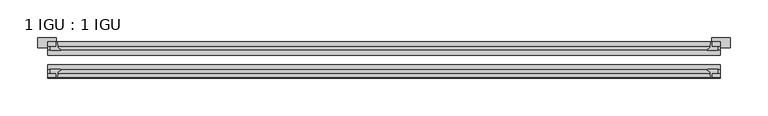
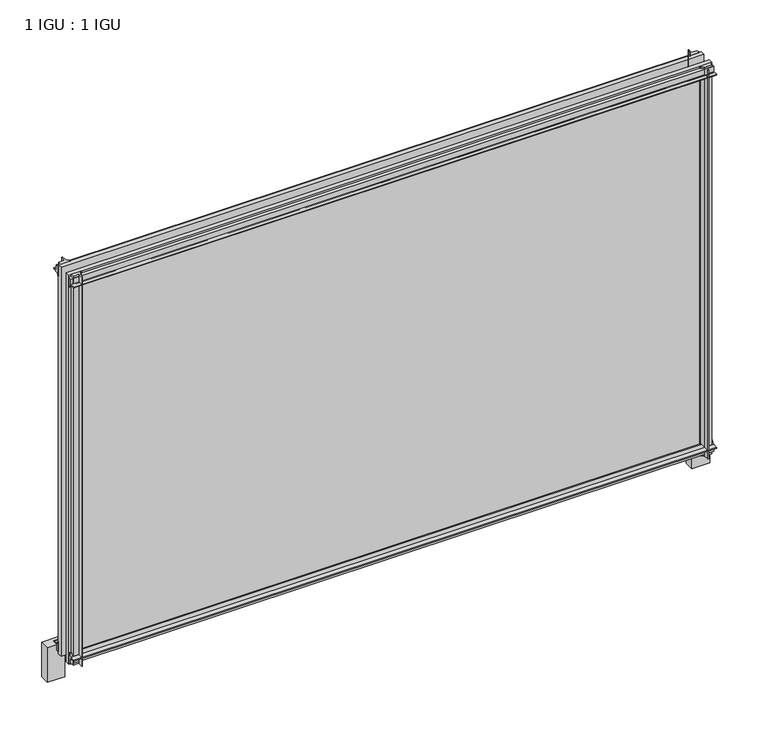
"""IFC4 building model written with IfcOpenShell, lengths in millimetres: plate geometry, 1 IGU : 1 IGU."""

import ifcopenshell
import ifcopenshell.guid

model = None  # the IFC model being written
_history = None  # IfcOwnerHistory: only IFC2X3 demands one
_inside = {}  # id of a spatial element -> (the spatial element, [elements in it])
_under = {}  # id of a project, library or spatial element -> (it, [spatial elements below it])
_declared = {}  # id of a project -> (the project, [libraries it declares])
_typed = {}  # id of a type object -> (the type object, [elements of that type])
_made_of = {}  # id of a material, layer set ... -> (it, [elements and type objects made of it])


def new_model(schema):
    """Start an empty IFC model of exactly this schema.

    Asked for "IFC4X3", IfcOpenShell would pick the latest addendum, in which some entities
    have other attributes; the version numbers below select the first issue.
    IFC2X3 requires an IfcOwnerHistory on every rooted entity: one is made here for all.
    """
    global model, _history
    if schema == "IFC4X3":
        model = ifcopenshell.file(schema_version=(4, 3, 0, 0))
    else:
        model = ifcopenshell.file(schema=schema)
    _inside.clear()
    _under.clear()
    _declared.clear()
    _typed.clear()
    _made_of.clear()
    _history = None
    if model.schema == "IFC2X3":
        org = make("IfcOrganization", Name="unknown")
        user = make(
            "IfcPersonAndOrganization",
            ThePerson=make("IfcPerson", FamilyName="unknown"),
            TheOrganization=org,
        )
        app = make(
            "IfcApplication",
            ApplicationDeveloper=org,
            Version="unknown",
            ApplicationFullName="unknown",
            ApplicationIdentifier="unknown",
        )
        _history = make(
            "IfcOwnerHistory",
            OwningUser=user,
            OwningApplication=app,
            ChangeAction="ADDED",
            CreationDate=0,
        )
    return model


def make(cls, **values):
    """One entity of the class cls with the attributes given. An attribute that is None is left unset."""
    return model.create_entity(
        cls, **{name: value for name, value in values.items() if value is not None}
    )


def rooted(cls, **values):
    """An entity with a GlobalId (a new one), such as an element, a storey or a relation."""
    return make(cls, GlobalId=ifcopenshell.guid.new(), OwnerHistory=_history, **values)


def si_unit(unit_type, name, prefix=None):
    """IfcSIUnit, for example si_unit("LENGTHUNIT", "METRE", prefix="MILLI")."""
    return make("IfcSIUnit", UnitType=unit_type, Prefix=prefix, Name=name)


def assignment(units):
    """IfcUnitAssignment: the units of a project."""
    return None if units is None else make("IfcUnitAssignment", Units=units)


def point(xyz):
    """IfcCartesianPoint."""
    return None if xyz is None else make("IfcCartesianPoint", Coordinates=xyz)


def direction(xyz):
    """IfcDirection."""
    return None if xyz is None else make("IfcDirection", DirectionRatios=xyz)


def frame(location, z_axis=None, x_axis=None):
    """IfcAxis2Placement3D, a coordinate frame: its origin and axes. An axis left out is left unset."""
    return make(
        "IfcAxis2Placement3D",
        Location=point(location),
        Axis=direction(z_axis),
        RefDirection=direction(x_axis),
    )


def frame_2d(location, x_axis=None):
    """IfcAxis2Placement2D, a coordinate frame in the plane: its origin and x axis."""
    return make(
        "IfcAxis2Placement2D", Location=point(location), RefDirection=direction(x_axis)
    )


def origin():
    """The frame at (0, 0, 0) with its axes left unset."""
    return frame((0.0, 0.0, 0.0))


def place(relative_to, where):
    """IfcLocalPlacement: puts the frame where relative to a parent placement (None: the world)."""
    return make(
        "IfcLocalPlacement", PlacementRelTo=relative_to, RelativePlacement=where
    )


def context(
    kind, dimensions, precision=None, world=None, true_north=None, identifier=None
):
    """IfcGeometricRepresentationContext, for example the 3D "Model" context."""
    return make(
        "IfcGeometricRepresentationContext",
        ContextIdentifier=identifier,
        ContextType=kind,
        CoordinateSpaceDimension=dimensions,
        Precision=precision,
        WorldCoordinateSystem=world,
        TrueNorth=true_north,
    )


def project(units=None, contexts=None):
    """IfcProject with its units and contexts."""
    return rooted(
        "IfcProject",
        Name="project",
        RepresentationContexts=contexts,
        UnitsInContext=assignment(units),
    )


def spatial(cls, under=None, at=None, **own):
    """A site, building, storey or space (cls), placed at a placement, below another one or the project."""
    s = rooted(cls, ObjectPlacement=at, **own)
    if under is not None:
        _under.setdefault(under.id(), (under, []))[1].append(s)
    return s


def polyline(points):
    """IfcPolyline through the points."""
    return make("IfcPolyline", Points=[point(p) for p in points])


def circle_curve(where, radius):
    """IfcCircle in the frame where."""
    return make("IfcCircle", Position=where, Radius=radius)


def trimmed(basis, trim1, trim2, sense, master):
    """IfcTrimmedCurve: the piece of a basis curve between two trims."""
    return make(
        "IfcTrimmedCurve",
        BasisCurve=basis,
        Trim1=trim1,
        Trim2=trim2,
        SenseAgreement=sense,
        MasterRepresentation=master,
    )


def segment(curve, same_sense, transition):
    """IfcCompositeCurveSegment."""
    return make(
        "IfcCompositeCurveSegment",
        Transition=transition,
        SameSense=same_sense,
        ParentCurve=curve,
    )


def composite_curve(segments, self_intersect=None):
    """IfcCompositeCurve: segments joined end to end."""
    return make("IfcCompositeCurve", Segments=segments, SelfIntersect=self_intersect)


def outline(outer, holes=None, kind="AREA"):
    """IfcArbitraryClosedProfileDef: a profile drawn as a closed curve; with holes, ...WithVoids."""
    if holes is None:
        return make("IfcArbitraryClosedProfileDef", ProfileType=kind, OuterCurve=outer)
    return make(
        "IfcArbitraryProfileDefWithVoids",
        ProfileType=kind,
        OuterCurve=outer,
        InnerCurves=holes,
    )


def extrude(swept, where, along, depth):
    """IfcExtrudedAreaSolid: the profile swept, set in the frame where, extruded along a direction by depth."""
    return make(
        "IfcExtrudedAreaSolid",
        SweptArea=swept,
        Position=where,
        ExtrudedDirection=direction(along),
        Depth=depth,
    )


def shape(context_of_items, identifier, shape_type, items):
    """IfcShapeRepresentation: the items that make up one representation, for example the "Body"."""
    return make(
        "IfcShapeRepresentation",
        ContextOfItems=context_of_items,
        RepresentationIdentifier=identifier,
        RepresentationType=shape_type,
        Items=items,
    )


def source(mapping_origin, context_of_items, identifier, shape_type, items):
    """IfcRepresentationMap: a shape defined once, which mapped items show again and again."""
    return make(
        "IfcRepresentationMap",
        MappingOrigin=mapping_origin,
        MappedRepresentation=shape(context_of_items, identifier, shape_type, items),
    )


def transform(
    local_origin,
    x_axis=None,
    y_axis=None,
    z_axis=None,
    scale=None,
    scale2=None,
    scale3=None,
    uniform=True,
):
    """IfcCartesianTransformationOperator3D, or its non-uniform kind. x_axis, y_axis, z_axis: its Axis1, 2, 3."""
    if uniform:
        return make(
            "IfcCartesianTransformationOperator3D",
            Axis1=direction(x_axis),
            Axis2=direction(y_axis),
            LocalOrigin=point(local_origin),
            Scale=scale,
            Axis3=direction(z_axis),
        )
    return make(
        "IfcCartesianTransformationOperator3DnonUniform",
        Axis1=direction(x_axis),
        Axis2=direction(y_axis),
        LocalOrigin=point(local_origin),
        Scale=scale,
        Axis3=direction(z_axis),
        Scale2=scale2,
        Scale3=scale3,
    )


def mapped(mapping_source, mapping_target):
    """IfcMappedItem: shows the shape of a source again, moved by a transform."""
    return make(
        "IfcMappedItem", MappingSource=mapping_source, MappingTarget=mapping_target
    )


def made_of(thing, what):
    """Note that an element or type object is made of a material, layer set ...; save() writes the relation."""
    if what is not None:
        _made_of.setdefault(what.id(), (what, []))[1].append(thing)
    return thing


def element(
    cls,
    number,
    at=None,
    inside=None,
    cuts=None,
    type_object=None,
    material=None,
    context=None,
    identifier="Body",
    shape_type=None,
    held_by="IfcProductDefinitionShape",
    body=None,
    shapes=None,
    **own,
):
    """One element of the class cls, such as IfcWall. Its Tag is "e" and its number.

    at: its placement. inside: the storey or other place that contains it. cuts: it is an
    opening in that element (IfcRelVoidsElement). A single representation is given by context,
    identifier, shape_type and body (its items); several are given by shapes. held_by: the class
    of the entity that holds the representations. save() writes the other relations.
    """
    e = rooted(cls, Tag="e%d" % number, ObjectPlacement=at, **own)
    if body is not None:
        shapes = [shape(context, identifier, shape_type, body)]
    if shapes is not None:
        e.Representation = make(held_by, Representations=shapes)
    if inside is not None:
        _inside.setdefault(inside.id(), (inside, []))[1].append(e)
    if cuts is not None:
        rooted(
            "IfcRelVoidsElement", RelatingBuildingElement=cuts, RelatedOpeningElement=e
        )
    if type_object is not None:
        _typed.setdefault(type_object.id(), (type_object, []))[1].append(e)
    return made_of(e, material)


def aggregate(whole, parts):
    """IfcRelAggregates: a whole, such as a stair, and the parts it consists of."""
    return rooted("IfcRelAggregates", RelatingObject=whole, RelatedObjects=parts)


def save(model, path):
    """Write the relations noted so far, then the file.

    IfcRelAggregates (storeys below a building ...), IfcRelContainedInSpatialStructure (elements
    in a storey), IfcRelDefinesByType, IfcRelAssociatesMaterial and IfcRelDeclares: one each for
    every whole, place, type object, material and project.
    """
    for whole, parts in _under.values():
        aggregate(whole, parts)
    for where, things in _inside.values():
        rooted(
            "IfcRelContainedInSpatialStructure",
            RelatedElements=things,
            RelatingStructure=where,
        )
    for kind, things in _typed.values():
        rooted("IfcRelDefinesByType", RelatedObjects=things, RelatingType=kind)
    for what, things in _made_of.values():
        rooted("IfcRelAssociatesMaterial", RelatedObjects=things, RelatingMaterial=what)
    for by, libraries in _declared.values():
        rooted("IfcRelDeclares", RelatingContext=by, RelatedDefinitions=libraries)
    model.write(path)


def plate_1_igu_1_igu_bbd7117f(model_context):
    return source(origin(), model_context, "Body", "SweptSolid", [
        extrude(outline(composite_curve([segment(polyline([(-42.3267187, -8.2068385), (-47.0892187, -8.2068385), (-47.0892187, 0.0), (-53.563779, 0.0)]), True, "CONTINUOUS"), segment(trimmed(circle_curve(frame_2d((-53.0328134, 0.3482823)), 0.635), [point((-53.563779, 0.0))], [point((-53.0575397, 0.9828007))], False, "CARTESIAN"), True, "CONTINUOUS"), segment(trimmed(circle_curve(frame_2d((-54.2310045, 31.0958559)), 30.1359106), [point((-53.0575397, 0.9828007))], [point((-47.0834032, 1.8198434))], True, "CARTESIAN"), True, "CONTINUOUS"), segment(trimmed(circle_curve(frame_2d((-48.2159797, 6.4587878)), 4.7752), [point((-47.0834032, 1.8198434))], [point((-43.578416, 5.3205707))], True, "CARTESIAN"), True, "CONTINUOUS"), segment(trimmed(circle_curve(frame_2d((-42.9617187, 5.169212)), 0.635), [point((-43.578416, 5.3205707))], [point((-42.3267187, 5.169212))], False, "CARTESIAN"), True, "CONTINUOUS"), segment(polyline([(-42.3267187, 5.169212), (-42.3267187, -8.2068385)]), True, "CONTINUOUS")], self_intersect=False)), frame((-446.7225, 0.0, 0.0), z_axis=(1.0, 0.0, 0.0), x_axis=(0.0, 1.0, 0.0)), (0.0, 0.0, 1.0), 893.445),
        extrude(outline(composite_curve([segment(polyline([(-16.9267187, -8.2068385), (-16.9267187, 5.169212)]), True, "CONTINUOUS"), segment(trimmed(circle_curve(frame_2d((-16.2917187, 5.169212)), 0.635), [point((-16.9267187, 5.169212))], [point((-15.6750215, 5.3205707))], False, "CARTESIAN"), True, "CONTINUOUS"), segment(trimmed(circle_curve(frame_2d((-11.0374578, 6.4587878)), 4.7752), [point((-15.6750215, 5.3205707))], [point((-12.1700343, 1.8198434))], True, "CARTESIAN"), True, "CONTINUOUS"), segment(trimmed(circle_curve(frame_2d((-5.022433, 31.0958559)), 30.1359106), [point((-12.1700343, 1.8198434))], [point((-6.1958978, 0.9828007))], True, "CARTESIAN"), True, "CONTINUOUS"), segment(trimmed(circle_curve(frame_2d((-6.2206241, 0.3482823)), 0.635), [point((-6.1958978, 0.9828007))], [point((-5.6896585, 0.0))], False, "CARTESIAN"), True, "CONTINUOUS"), segment(polyline([(-5.6896585, 0.0), (-12.1642187, 0.0), (-12.1642187, -8.2068385), (-16.9267187, -8.2068385)]), True, "CONTINUOUS")], self_intersect=False)), frame((-446.7225, 0.0, 0.0), z_axis=(1.0, 0.0, 0.0), x_axis=(0.0, 1.0, 0.0)), (0.0, 0.0, 1.0), 893.445),
        extrude(outline(composite_curve([segment(polyline([(-47.0892187, 549.275), (-47.0892187, 557.4818385), (-42.3267188, 557.4818385), (-42.3267188, 544.105788)]), True, "CONTINUOUS"), segment(trimmed(circle_curve(frame_2d((-42.9617187, 544.105788)), 0.635), [point((-42.3267188, 544.105788))], [point((-43.578416, 543.9544293))], False, "CARTESIAN"), True, "CONTINUOUS"), segment(trimmed(circle_curve(frame_2d((-48.2159797, 542.8162122)), 4.7752), [point((-43.578416, 543.9544293))], [point((-47.0834032, 547.4551566))], True, "CARTESIAN"), True, "CONTINUOUS"), segment(trimmed(circle_curve(frame_2d((-54.2310045, 518.1791441)), 30.1359106), [point((-47.0834032, 547.4551566))], [point((-53.0575397, 548.2921993))], True, "CARTESIAN"), True, "CONTINUOUS"), segment(trimmed(circle_curve(frame_2d((-53.0328134, 548.9267177)), 0.635), [point((-53.0575397, 548.2921993))], [point((-53.563779, 549.275))], False, "CARTESIAN"), True, "CONTINUOUS"), segment(polyline([(-53.563779, 549.275), (-47.0892187, 549.275)]), True, "CONTINUOUS")], self_intersect=False)), frame((-446.7225, 0.0, 0.0), z_axis=(1.0, 0.0, 0.0), x_axis=(0.0, 1.0, 0.0)), (0.0, 0.0, 1.0), 893.445),
        extrude(outline(composite_curve([segment(polyline([(-12.1642187, 549.275), (-5.6896585, 549.275)]), True, "CONTINUOUS"), segment(trimmed(circle_curve(frame_2d((-6.2206241, 548.9267177)), 0.635), [point((-5.6896585, 549.275))], [point((-6.1958978, 548.2921993))], False, "CARTESIAN"), True, "CONTINUOUS"), segment(trimmed(circle_curve(frame_2d((-5.022433, 518.1791441)), 30.1359106), [point((-6.1958978, 548.2921993))], [point((-12.1700343, 547.4551566))], True, "CARTESIAN"), True, "CONTINUOUS"), segment(trimmed(circle_curve(frame_2d((-11.0374578, 542.8162122)), 4.7752), [point((-12.1700343, 547.4551566))], [point((-15.6750215, 543.9544293))], True, "CARTESIAN"), True, "CONTINUOUS"), segment(trimmed(circle_curve(frame_2d((-16.2917187, 544.105788)), 0.635), [point((-15.6750215, 543.9544293))], [point((-16.9267187, 544.105788))], False, "CARTESIAN"), True, "CONTINUOUS"), segment(polyline([(-16.9267187, 544.105788), (-16.9267187, 557.4818385), (-12.1642187, 557.4818385), (-12.1642187, 549.275)]), True, "CONTINUOUS")], self_intersect=False)), frame((-446.7225, 0.0, 0.0), z_axis=(1.0, 0.0, 0.0), x_axis=(0.0, 1.0, 0.0)), (0.0, 0.0, 1.0), 893.445),
        extrude(outline(composite_curve([segment(polyline([(435.61, -5.6896585), (435.61, -12.1642188), (443.8168385, -12.1642188), (443.8168385, -16.9267187), (430.440788, -16.9267187)]), True, "CONTINUOUS"), segment(trimmed(circle_curve(frame_2d((430.440788, -16.2917188)), 0.635), [point((430.440788, -16.9267187))], [point((430.2894293, -15.6750215))], False, "CARTESIAN"), True, "CONTINUOUS"), segment(trimmed(circle_curve(frame_2d((429.1512122, -11.0374578)), 4.7752), [point((430.2894293, -15.6750215))], [point((433.7901566, -12.1700343))], True, "CARTESIAN"), True, "CONTINUOUS"), segment(trimmed(circle_curve(frame_2d((404.5141441, -5.022433)), 30.1359106), [point((433.7901566, -12.1700343))], [point((434.6271993, -6.1958978))], True, "CARTESIAN"), True, "CONTINUOUS"), segment(trimmed(circle_curve(frame_2d((435.2617177, -6.2206241)), 0.635), [point((434.6271993, -6.1958978))], [point((435.61, -5.6896585))], False, "CARTESIAN"), True, "CONTINUOUS")], self_intersect=False)), frame((0.0, 0.0, -11.1125), z_axis=(0.0, 0.0, 1.0), x_axis=(1.0, 0.0, 0.0)), (0.0, 0.0, 1.0), 571.5),
        extrude(outline(composite_curve([segment(trimmed(circle_curve(frame_2d((435.2617177, -53.0328134)), 0.635), [point((435.61, -53.563779))], [point((434.6271993, -53.0575397))], False, "CARTESIAN"), True, "CONTINUOUS"), segment(trimmed(circle_curve(frame_2d((404.5141441, -54.2310045)), 30.1359106), [point((434.6271993, -53.0575397))], [point((433.7901566, -47.0834032))], True, "CARTESIAN"), True, "CONTINUOUS"), segment(trimmed(circle_curve(frame_2d((429.1512122, -48.2159797)), 4.7752), [point((433.7901566, -47.0834032))], [point((430.2894293, -43.578416))], True, "CARTESIAN"), True, "CONTINUOUS"), segment(trimmed(circle_curve(frame_2d((430.440788, -42.9617187)), 0.635), [point((430.2894293, -43.578416))], [point((430.440788, -42.3267187))], False, "CARTESIAN"), True, "CONTINUOUS"), segment(polyline([(430.440788, -42.3267187), (443.8168385, -42.3267188), (443.8168385, -47.0892188), (435.61, -47.0892188), (435.61, -53.563779)]), True, "CONTINUOUS")], self_intersect=False)), frame((0.0, 0.0, -11.1125), z_axis=(0.0, 0.0, 1.0), x_axis=(1.0, 0.0, 0.0)), (0.0, 0.0, 1.0), 571.5),
        extrude(outline(composite_curve([segment(trimmed(circle_curve(frame_2d((-435.2617177, -6.2206241)), 0.635), [point((-435.61, -5.6896585))], [point((-434.6271993, -6.1958978))], False, "CARTESIAN"), True, "CONTINUOUS"), segment(trimmed(circle_curve(frame_2d((-404.5141441, -5.022433)), 30.1359106), [point((-434.6271993, -6.1958978))], [point((-433.7901566, -12.1700343))], True, "CARTESIAN"), True, "CONTINUOUS"), segment(trimmed(circle_curve(frame_2d((-429.1512122, -11.0374578)), 4.7752), [point((-433.7901566, -12.1700343))], [point((-430.2894293, -15.6750215))], True, "CARTESIAN"), True, "CONTINUOUS"), segment(trimmed(circle_curve(frame_2d((-430.440788, -16.2917187)), 0.635), [point((-430.2894293, -15.6750215))], [point((-430.440788, -16.9267187))], False, "CARTESIAN"), True, "CONTINUOUS"), segment(polyline([(-430.440788, -16.9267187), (-443.8168385, -16.9267187), (-443.8168385, -12.1642187), (-435.61, -12.1642187), (-435.61, -5.6896585)]), True, "CONTINUOUS")], self_intersect=False)), frame((0.0, 0.0, -11.1125), z_axis=(0.0, 0.0, 1.0), x_axis=(1.0, 0.0, 0.0)), (0.0, 0.0, 1.0), 571.5),
        extrude(outline(composite_curve([segment(polyline([(-435.61, -53.563779), (-435.61, -47.0892187), (-443.8168385, -47.0892187), (-443.8168385, -42.3267188), (-430.440788, -42.3267188)]), True, "CONTINUOUS"), segment(trimmed(circle_curve(frame_2d((-430.440788, -42.9617187)), 0.635), [point((-430.440788, -42.3267188))], [point((-430.2894293, -43.578416))], False, "CARTESIAN"), True, "CONTINUOUS"), segment(trimmed(circle_curve(frame_2d((-429.1512122, -48.2159797)), 4.7752), [point((-430.2894293, -43.578416))], [point((-433.7901566, -47.0834032))], True, "CARTESIAN"), True, "CONTINUOUS"), segment(trimmed(circle_curve(frame_2d((-404.5141441, -54.2310045)), 30.1359106), [point((-433.7901566, -47.0834032))], [point((-434.6271993, -53.0575397))], True, "CARTESIAN"), True, "CONTINUOUS"), segment(trimmed(circle_curve(frame_2d((-435.2617177, -53.0328134)), 0.635), [point((-434.6271993, -53.0575397))], [point((-435.61, -53.563779))], False, "CARTESIAN"), True, "CONTINUOUS")], self_intersect=False)), frame((0.0, 0.0, -11.1125), z_axis=(0.0, 0.0, 1.0), x_axis=(1.0, 0.0, 0.0)), (0.0, 0.0, 1.0), 571.5),
        extrude(outline(polyline([(446.7225, -16.9267187), (446.7225, -23.2259187), (-446.7225, -23.2259187), (-446.7225, -16.9267187), (446.7225, -16.9267187)])), frame((0.0, 0.0, -11.1125), z_axis=(0.0, 0.0, 1.0), x_axis=(1.0, 0.0, 0.0)), (0.0, 0.0, 1.0), 571.5),
        extrude(outline(polyline([(446.7225, -36.0275187), (446.7225, -42.3267187), (-446.7225, -42.3267187), (-446.7225, -36.0275187), (446.7225, -36.0275187)])), frame((0.0, 0.0, -11.1125), z_axis=(0.0, 0.0, 1.0), x_axis=(1.0, 0.0, 0.0)), (0.0, 0.0, 1.0), 571.5),
        extrude(outline(polyline([(-460.4146875, 0.0), (-435.61, 0.0), (-435.61, -13.1960937), (-460.4146875, -13.1960937), (-460.4146875, 0.0)])), frame((0.0, 0.0, -50.8), z_axis=(0.0, 0.0, 1.0), x_axis=(1.0, 0.0, 0.0)), (0.0, 0.0, 1.0), 50.8),
        extrude(outline(polyline([(435.61, 0.0), (460.4146875, 0.0), (460.4146875, -13.1960938), (435.61, -13.1960938), (435.61, 0.0)])), frame((0.0, 0.0, -50.8), z_axis=(0.0, 0.0, 1.0), x_axis=(1.0, 0.0, 0.0)), (0.0, 0.0, 1.0), 50.8),
    ])


if __name__ == "__main__":
    model = new_model("IFC4")
    model_context = context("Model", 3, world=origin())
    ifc_project = project(units=[si_unit("LENGTHUNIT", "METRE", prefix="MILLI")], contexts=[model_context])
    site = spatial("IfcSite", under=ifc_project)
    building = spatial("IfcBuilding", under=site)
    placement = place(None, origin())
    plate_1_igu_1_igu_shape = plate_1_igu_1_igu_bbd7117f(model_context)
    element("IfcPlate", 1, ObjectType="1 IGU : 1 IGU", at=placement, inside=building, context=model_context, shape_type="MappedRepresentation", body=[
        mapped(plate_1_igu_1_igu_shape, transform((0.0, 0.0, 0.0), x_axis=(1.0, 0.0, 0.0), y_axis=(0.0, 1.0, 0.0), z_axis=(0.0, 0.0, 1.0))),
    ])
    save(model, "model.ifc")
